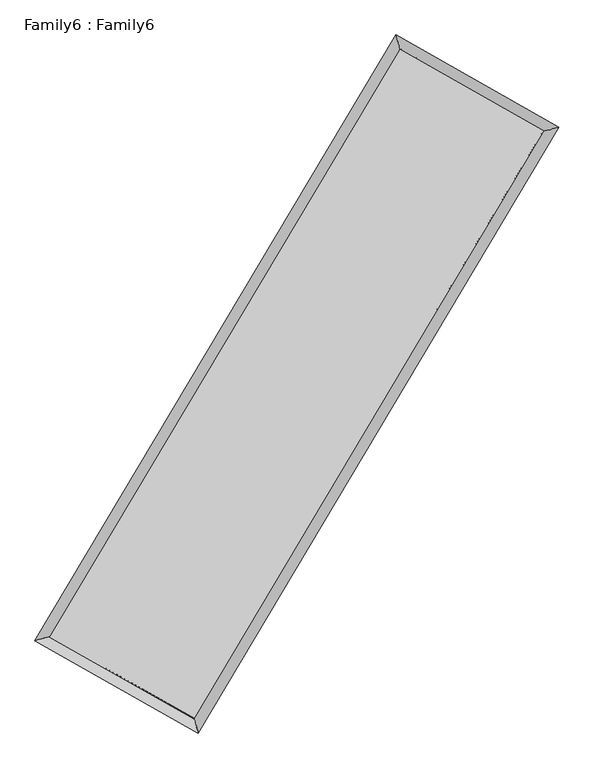
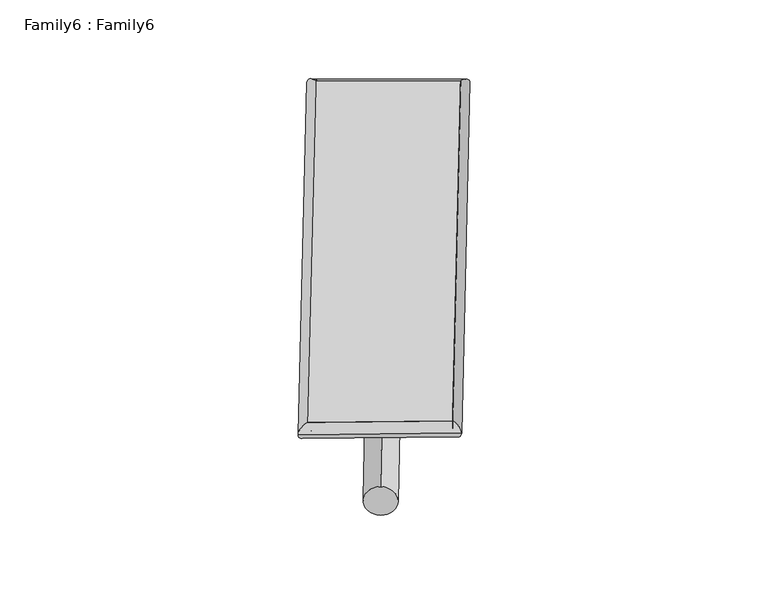
"""IFC4 building model written with IfcOpenShell, lengths in millimetres: plate geometry, Family6 : Family6."""

from ifc_helpers import new_model, si_unit, point, frame, origin, origin_2d, place, context, project, spatial, circle_curve, ellipse_curve, trimmed, segment, composite_curve, outline, extrude, source, transform, mapped, element, save
from ifc_brep_helpers import plane_surface, cylinder_surface, spline_surface, advanced_brep


def family6_family6_5ba6e9c2(model_context):
    return source(origin(), model_context, "Body", "SolidModel", [
        extrude(outline(composite_curve([segment(trimmed(circle_curve(origin_2d(), 76.2), [point((-75.4341514, -10.7763073))], [point((75.4341514, 10.7763073))], False, "CARTESIAN"), True, "CONTINUOUS"), segment(trimmed(circle_curve(origin_2d(), 76.2), [point((75.4341514, 10.7763073))], [point((-75.4341514, -10.7763073))], False, "CARTESIAN"), True, "CONTINUOUS")], self_intersect=False)), frame((9144.0, 9144.0, 0.0), z_axis=(0.6739435838898016, 0.6873958803462583, 0.27071562462621657), x_axis=(-0.6792146323499602, 0.7206594556228665, -0.13898716567749111)), (0.0, 0.0, 1.0), 5590.5135396),
        extrude(outline(composite_curve([segment(trimmed(circle_curve(origin_2d(), 76.2), [point((-53.8815368, 53.8815367))], [point((53.8815368, -53.8815367))], False, "CARTESIAN"), True, "CONTINUOUS"), segment(trimmed(circle_curve(origin_2d(), 76.2), [point((53.8815368, -53.8815367))], [point((-53.8815368, 53.8815367))], False, "CARTESIAN"), True, "CONTINUOUS")], self_intersect=False)), frame((9144.0, 9144.0, 0.0), z_axis=(-0.6745587880973877, -0.6868058552650333, 0.27068091653134646), x_axis=(0.6396000947390502, -0.3606470569409437, 0.6788559634632622)), (0.0, 0.0, 1.0), 5591.4837249),
        extrude(outline(composite_curve([segment(trimmed(circle_curve(origin_2d(), 76.2), [point((-53.8815367, -53.8815367))], [point((53.8815367, 53.8815367))], False, "CARTESIAN"), True, "CONTINUOUS"), segment(trimmed(circle_curve(origin_2d(), 76.2), [point((53.8815367, 53.8815367))], [point((-53.8815367, -53.8815367))], False, "CARTESIAN"), True, "CONTINUOUS")], self_intersect=False)), frame((9144.0, 9144.0, 0.0), z_axis=(0.28111657680046925, 0.9190591674807695, 0.2762312743292131), x_axis=(-0.8389193716285618, 0.375123418303391, -0.3943307101237719)), (0.0, 0.0, 1.0), 5543.4373838),
        extrude(outline(composite_curve([segment(trimmed(circle_curve(origin_2d(), 76.2), [point((-75.4341514, 10.7763074))], [point((75.4341514, -10.7763074))], False, "CARTESIAN"), True, "CONTINUOUS"), segment(trimmed(circle_curve(origin_2d(), 76.2), [point((75.4341514, -10.7763074))], [point((-75.4341514, 10.7763074))], False, "CARTESIAN"), True, "CONTINUOUS")], self_intersect=False)), frame((9144.0, 9144.0, 0.0), z_axis=(-0.28022617763955804, -0.9193244452004538, 0.2762532421934643), x_axis=(0.876452824765768, -0.1276504185907179, 0.4642583511297568)), (0.0, 0.0, 1.0), 5542.9828781),
        advanced_brep(
        [(5161.4700252, 5247.9159546, 1514.9321093), (5582.9722125, 5359.5720294, 1515.3055022), (5582.9610045, 5359.5565217, 1512.0837695), (10756.8767137, 14032.6910979, 1529.3259921), (10647.8275684, 14444.802796, 1533.2155533), (5161.4588172, 5247.9004469, 1511.7103767), (12701.0959313, 12931.0615303, 1513.6343431), (13122.28553, 13042.7304219, 1513.2443866), (7536.0180936, 4254.2647958, 1530.93963), (7645.4040971, 3842.1358859, 1531.594353)],
        [
            (0, 1, ellipse_curve(frame((5372.2155149, 5303.7362381, 1513.5079394), z_axis=(-0.2560632995179623, 0.9666526951077496, -0.0037621378095673446), x_axis=(-0.966635918594207, -0.2560824573240784, -0.006064316482103695)), 218.0355222, 152.4)),
            (1, 2, ellipse_curve(frame((5372.2155149, 5303.7362381, 1513.5079394), z_axis=(-0.2560632995179623, 0.9666526951077496, -0.0037621378095673446), x_axis=(-0.966635918594207, -0.2560824573240784, -0.006064316482103695)), 218.0355222, 152.4)),
            (2, 3),
            (3, 4, ellipse_curve(frame((10702.352141, 14238.746947, 1531.2707727), z_axis=(-0.9667126452063682, -0.25583754222944355, 0.0037166630334636093), x_axis=(0.2558118945179795, -0.9667064211306917, -0.006242593035868696)), 213.157418, 152.4)),
            (4, 0),
            (2, 5, ellipse_curve(frame((5372.2155149, 5303.7362381, 1513.5079394), z_axis=(-0.2560632995179623, 0.9666526951077496, -0.0037621378095673446), x_axis=(-0.966635918594207, -0.2560824573240784, -0.006064316482103695)), 218.0355222, 152.4)),
            (5, 0, ellipse_curve(frame((5372.2155149, 5303.7362381, 1513.5079394), z_axis=(-0.2560632995179623, 0.9666526951077496, -0.0037621378095673446), x_axis=(-0.966635918594207, -0.2560824573240784, -0.006064316482103695)), 218.0355222, 152.4)),
            (4, 3, ellipse_curve(frame((10702.352141, 14238.746947, 1531.2707727), z_axis=(-0.9667126452063682, -0.25583754222944355, 0.0037166630334636093), x_axis=(0.2558118945179795, -0.9667064211306917, -0.006242593035868696)), 213.157418, 152.4)),
            (3, 6),
            (6, 7, ellipse_curve(frame((12911.6907307, 12986.8959761, 1513.4393649), z_axis=(-0.2562681498238921, 0.9665982820696786, 0.003794270125535369), x_axis=(-0.9665812428465493, -0.2562876237427502, 0.006111864978392553)), 217.8739117, 152.4)),
            (7, 4),
            (7, 6, ellipse_curve(frame((12911.6907307, 12986.8959761, 1513.4393649), z_axis=(-0.2562681498238921, 0.9665982820696786, 0.003794270125535369), x_axis=(-0.9665812428465493, -0.2562876237427502, 0.006111864978392553)), 217.8739117, 152.4)),
            (6, 8),
            (8, 9, ellipse_curve(frame((7590.7110954, 4048.2003409, 1531.2669915), z_axis=(0.9665270278953212, 0.2565385051183888, 0.0036741991589482295), x_axis=(-0.2565132556536922, 0.9665207868385816, -0.006206309924009389)), 213.2016424, 152.4)),
            (9, 7),
            (9, 8, ellipse_curve(frame((7590.7110954, 4048.2003409, 1531.2669915), z_axis=(0.9665270278953212, 0.2565385051183888, 0.0036741991589482295), x_axis=(-0.2565132556536922, 0.9665207868385816, -0.006206309924009389)), 213.2016424, 152.4)),
            (8, 1),
            (5, 9),
        ],
        [
            cylinder_surface(frame((5372.2155149, 5303.7362381, 1513.5079394), z_axis=(-0.5123116616403124, -0.8587979078321495, -0.001707293315515503), x_axis=(-0.8587560338726278, 0.5122646320216624, 0.011091486242390116)), 152.4),
            cylinder_surface(frame((10702.352141, 14238.746947, 1531.2707727), z_axis=(-0.8700189046118793, 0.4929683550976861, 0.00702185803243775), x_axis=(0.4930079559446319, 0.8700048338737734, 0.0058944390372730575)), 152.4),
            cylinder_surface(frame((12911.6907307, 12986.8959761, 1513.4393649), z_axis=(0.5115063527002761, 0.8592777863612242, -0.001713771692865548), x_axis=(0.8592793660140533, -0.5115063527002761, 0.0004714761368145181)), 152.4),
            cylinder_surface(frame((7590.7110954, 4048.2003409, 1531.2669915), z_axis=(0.8702721118086417, -0.4925219984120723, 0.006966526272534989), x_axis=(-0.49250028796194145, -0.8702997663056872, -0.004667239620092213)), 152.4),
        ],
        [
            (0, [[1, 2, 3, 4, 5]]),
            (0, [[6, 7, -5, 8, -3]]),
            (1, [[-4, 9, 10, 11]]),
            (1, [[-8, -11, 12, -9]]),
            (2, [[-10, 13, 14, 15]]),
            (2, [[-12, -15, 16, -13]]),
            (3, [[-14, 17, -1, -7, 18]]),
            (3, [[-16, -18, -6, -2, -17]]),
        ],
    ),
        extrude(outline(composite_curve([segment(trimmed(circle_curve(origin_2d(), 304.8), [point((0.0, -304.8))], [point((0.0, 304.8))], False, "CARTESIAN"), True, "CONTINUOUS"), segment(trimmed(circle_curve(origin_2d(), 304.8), [point((0.0, 304.8))], [point((0.0, -304.8))], False, "CARTESIAN"), True, "CONTINUOUS")], self_intersect=False)), frame((6479.9979786, 4651.8238475, -0.0004683), z_axis=(0.5100817717256557, 0.8601259129646125, 8.966166170975583e-08), x_axis=(-0.8601259129646168, 0.5100817717256557, 2.4586926584925596e-08)), (0.0, 0.0, 1.0), 10445.3919706),
        advanced_brep(
        [(5372.2155149, 5303.7362381, 1513.5079394), (7590.7110954, 4048.2003409, 1531.2669915), (7590.7114274, 4048.2006764, 1683.6669915), (5372.2158469, 5303.7365737, 1665.9079394), (12911.6907307, 12986.8959761, 1513.4393649), (12911.6910627, 12986.8963117, 1665.8393649), (10702.352141, 14238.746947, 1531.2707727), (10702.3524731, 14238.7472825, 1683.6707727)],
        [
            (0, 1),
            (1, 2),
            (2, 3),
            (3, 0),
            (1, 4),
            (4, 5),
            (5, 2),
            (4, 6),
            (6, 7),
            (7, 5),
            (6, 0),
            (3, 7),
        ],
        [
            plane_surface(frame((6481.4633051, 4675.9682895, 1522.3874655), z_axis=(-0.4925339686281788, -0.8702932205518097, 2.9892776262909967e-06), x_axis=(0.870272111808642, -0.49252199841207195, 0.006966526272534985))),
            plane_surface(frame((10251.200913, 8517.5481585, 1522.3531782), z_axis=(0.859279047565017, -0.5115071049508509, -7.459902345934542e-07), x_axis=(0.5115063527002759, 0.8592777863612243, -0.0017137716928655527))),
            plane_surface(frame((11807.0214359, 13612.8214615, 1522.3550688), z_axis=(0.4929804905492332, 0.8700403645400019, -2.9896937842254986e-06), x_axis=(-0.8700189046118791, 0.4929683550976862, 0.007021858032437745))),
            plane_surface(frame((8037.283828, 9771.2415925, 1522.3893561), z_axis=(-0.858799160118418, 0.5123124072080899, 7.431716035190359e-07), x_axis=(-0.5123116616403126, -0.8587979078321493, -0.001707293315515505))),
            spline_surface(1, 1, [[(7590.7114274, 4048.2006764, 1683.6669915), (5372.2158469, 5303.7365737, 1665.9079394)], [(12911.6910627, 12986.8963117, 1665.8393649), (10702.3524731, 14238.7472825, 1683.6707727)]], [2, 2], [2, 2], [0.0, 1.0], [0.0, 1.0]),
            spline_surface(1, 1, [[(10702.352141, 14238.746947, 1531.2707727), (5372.2155149, 5303.7362381, 1513.5079394)], [(12911.6907307, 12986.8959761, 1513.4393649), (7590.7110954, 4048.2003409, 1531.2669915)]], [2, 2], [2, 2], [0.0, 1.0], [0.0, 1.0]),
        ],
        [
            (0, [[1, 2, 3, 4]]),
            (1, [[5, 6, 7, -2]]),
            (2, [[8, 9, 10, -6]]),
            (3, [[11, -4, 12, -9]]),
            (4, [[-3, -7, -10, -12]]),
            (5, [[-11, -8, -5, -1]]),
        ],
    ),
    ])


if __name__ == "__main__":
    model = new_model("IFC4")
    model_context = context("Model", 3, world=origin())
    ifc_project = project(units=[si_unit("LENGTHUNIT", "METRE", prefix="MILLI")], contexts=[model_context])
    site = spatial("IfcSite", under=ifc_project)
    building = spatial("IfcBuilding", under=site)
    placement = place(None, origin())
    family6_family6_shape = family6_family6_5ba6e9c2(model_context)
    element("IfcPlate", 1, ObjectType="Family6 : Family6", at=placement, inside=building, context=model_context, shape_type="MappedRepresentation", body=[
        mapped(family6_family6_shape, transform((0.0, 0.0, 0.0), x_axis=(1.0, 0.0, 0.0), y_axis=(0.0, 1.0, 0.0), z_axis=(0.0, 0.0, 1.0))),
    ])
    save(model, "model.ifc")
